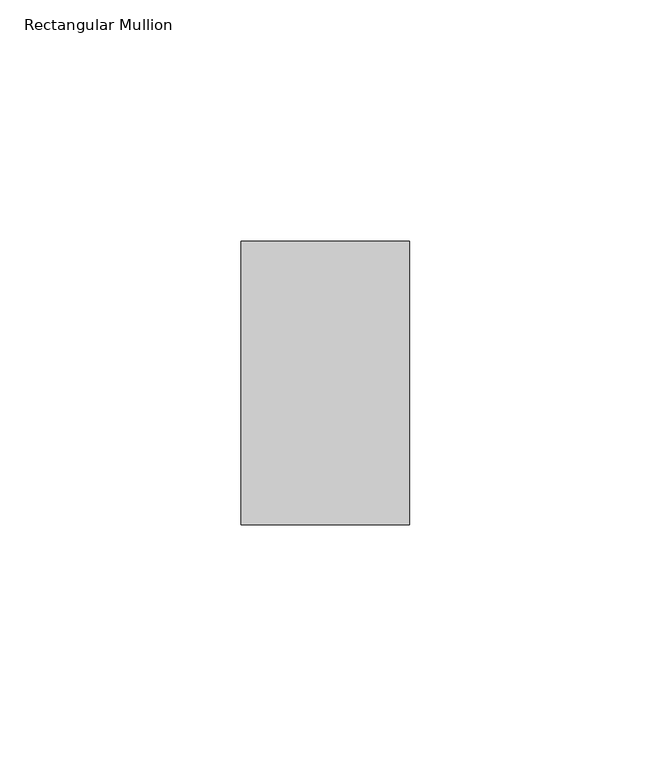
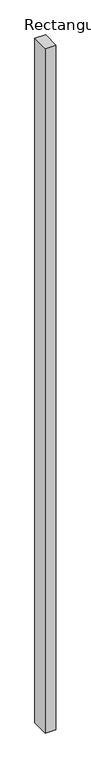
"""IFC4 building model written with IfcOpenShell, lengths in millimetres: member geometry, Rectangular Mullion."""

from ifc_helpers import new_model, si_unit, frame, origin, place, context, project, spatial, polyline, outline, extrude, source, transform, mapped, element, save


def rectangular_mullion_6f670b75(model_context):
    return source(origin(), model_context, "Body", "SweptSolid", [
        extrude(outline(polyline([(0.0, 29.36875), (0.0, -29.36875), (-34.925, -29.36875), (-34.925, 29.36875), (0.0, 29.36875)])), frame((0.0, 0.0, -2379.6625), z_axis=(0.0, 0.0, 1.0), x_axis=(1.0, 0.0, 0.0)), (0.0, 0.0, 1.0), 2379.6625),
    ])


if __name__ == "__main__":
    model = new_model("IFC4")
    model_context = context("Model", 3, world=origin())
    ifc_project = project(units=[si_unit("LENGTHUNIT", "METRE", prefix="MILLI")], contexts=[model_context])
    site = spatial("IfcSite", under=ifc_project)
    building = spatial("IfcBuilding", under=site)
    placement = place(None, origin())
    rectangular_mullion_shape = rectangular_mullion_6f670b75(model_context)
    element("IfcMember", 1, ObjectType="Rectangular Mullion", at=placement, inside=building, context=model_context, shape_type="MappedRepresentation", body=[
        mapped(rectangular_mullion_shape, transform((0.0, 0.0, 0.0), x_axis=(1.0, 0.0, 0.0), y_axis=(0.0, 1.0, 0.0), z_axis=(0.0, 0.0, 1.0))),
    ])
    save(model, "model.ifc")
